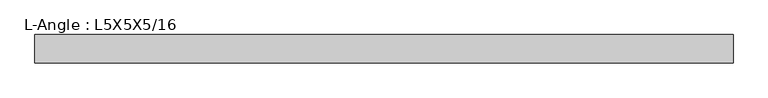
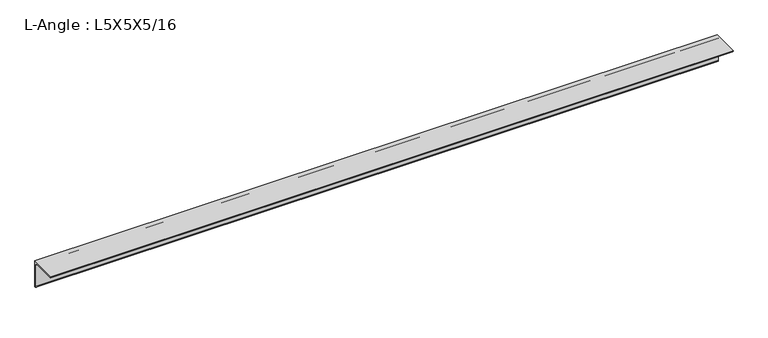
"""IFC4 building model written with IfcOpenShell, lengths in millimetres: beam geometry, L-Angle : L5X5X5/16."""

from ifc_helpers import new_model, si_unit, point, frame, frame_2d, origin, place, context, project, spatial, polyline, circle_curve, trimmed, segment, composite_curve, outline, extrude, source, transform, mapped, element, save


def l_angle_l5x5x5_16_a5f3b2f6(model_context):
    return source(origin(), model_context, "Body", "SweptSolid", [
        extrude(outline(composite_curve([segment(polyline([(34.3296875, 34.3296875), (34.3296875, -92.6703125)]), True, "CONTINUOUS"), segment(trimmed(circle_curve(frame_2d((34.3296875, -84.7328125)), 7.9375), [point((34.3296875, -92.6703125))], [point((26.3921875, -84.7328125))], False, "CARTESIAN"), True, "CONTINUOUS"), segment(polyline([(26.3921875, -84.7328125), (26.3921875, 18.4546875)]), True, "CONTINUOUS"), segment(trimmed(circle_curve(frame_2d((18.4546875, 18.4546875)), 7.9375), [point((26.3921875, 18.4546875))], [point((18.4546875, 26.3921875))], True, "CARTESIAN"), True, "CONTINUOUS"), segment(polyline([(18.4546875, 26.3921875), (-84.7328125, 26.3921875)]), True, "CONTINUOUS"), segment(trimmed(circle_curve(frame_2d((-84.7328125, 34.3296875)), 7.9375), [point((-84.7328125, 26.3921875))], [point((-92.6703125, 34.3296875))], False, "CARTESIAN"), True, "CONTINUOUS"), segment(polyline([(-92.6703125, 34.3296875), (34.3296875, 34.3296875)]), True, "CONTINUOUS")], self_intersect=False)), frame((-1549.796875, 0.0, 0.0), z_axis=(1.0, 0.0, 0.0), x_axis=(0.0, 1.0, 0.0)), (0.0, 0.0, 1.0), 3143.646875),
    ])


if __name__ == "__main__":
    model = new_model("IFC4")
    model_context = context("Model", 3, world=origin())
    ifc_project = project(units=[si_unit("LENGTHUNIT", "METRE", prefix="MILLI")], contexts=[model_context])
    site = spatial("IfcSite", under=ifc_project)
    building = spatial("IfcBuilding", under=site)
    placement = place(None, origin())
    l_angle_l5x5x5_16_shape = l_angle_l5x5x5_16_a5f3b2f6(model_context)
    element("IfcBeam", 1, ObjectType="L-Angle : L5X5X5/16", at=placement, inside=building, context=model_context, shape_type="MappedRepresentation", body=[
        mapped(l_angle_l5x5x5_16_shape, transform((0.0, 0.0, 0.0), x_axis=(1.0, 0.0, 0.0), y_axis=(0.0, 1.0, 0.0), z_axis=(0.0, 0.0, 1.0))),
    ])
    save(model, "model.ifc")
